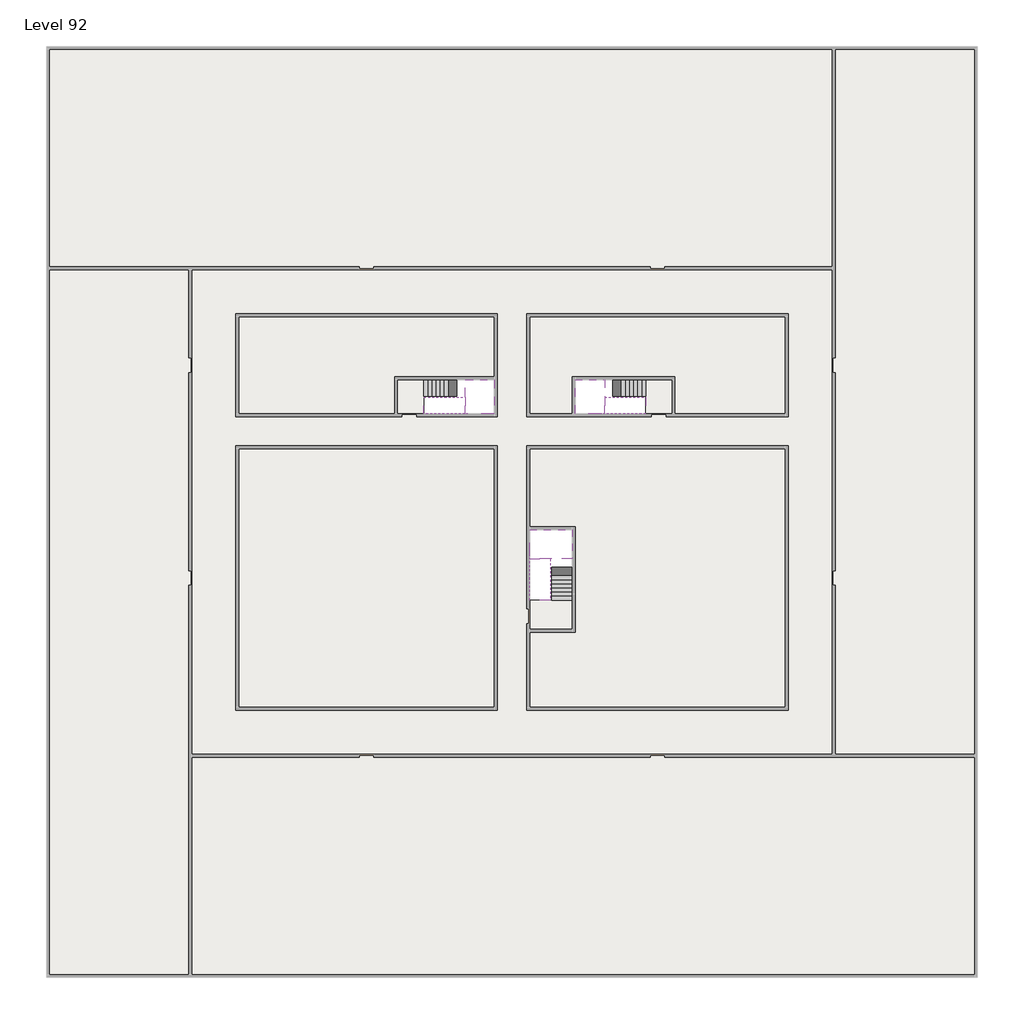
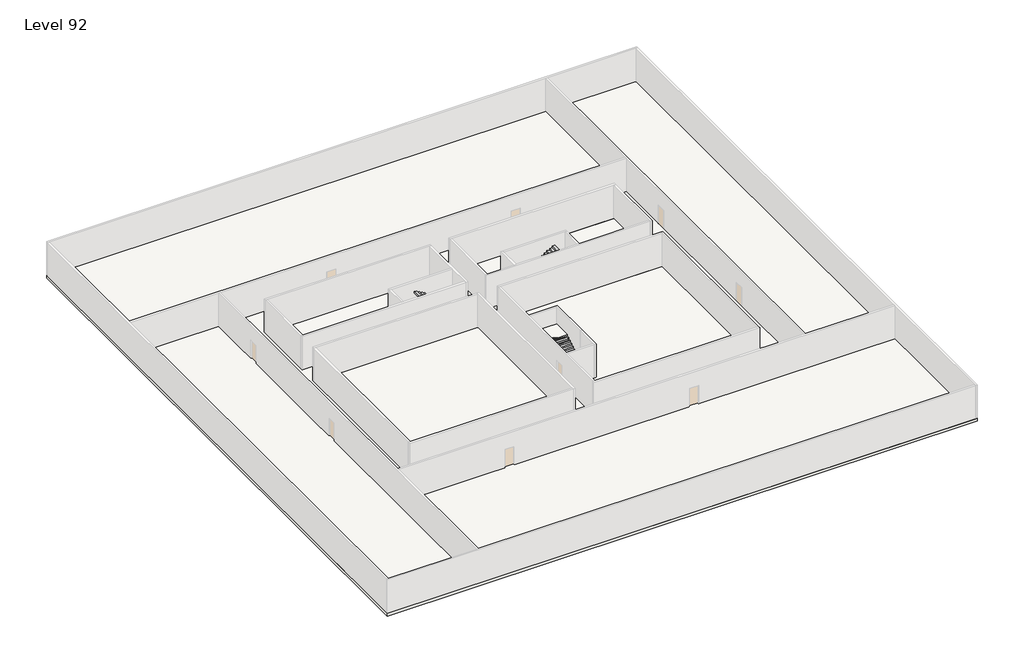
# One storey, part 2 of 2: 6 slabs, 6 stair flights.
"""IFC4 building model written with IfcOpenShell, lengths in millimetres."""

from ifc_helpers import new_model, si_unit, frame, origin, place, context, project, spatial, polyline, outline, extrude, faceted_brep, element, save

model = new_model("IFC4")

# Units and contexts
model_context = context("Model", 3, world=origin())
ifc_project = project(units=[si_unit("LENGTHUNIT", "METRE", prefix="MILLI")], contexts=[model_context])

# Site, building, storey
site = spatial("IfcSite", under=ifc_project)
building = spatial("IfcBuilding", under=site)
storey = spatial("IfcBuildingStorey", under=building, Name="Level 92", Elevation=345800.0)

# Slabs
placement = place(None, origin())
element("IfcSlab", 1, at=placement, inside=storey, context=model_context, shape_type="SweptSolid", body=[
    extrude(outline(polyline([(55890.1058784, -5518.09644), (55890.1058784, -68918.09644), (-7509.8941216, -68918.09644), (-7509.8941216, -5518.09644), (55890.1058784, -5518.09644)]), holes=[polyline([(22990.1058784, -23918.09644), (5590.1058784, -23918.09644), (5590.1058784, -30518.09644), (22990.1058784, -30518.09644), (22990.1058784, -23918.09644)]), polyline([(42990.1058784, -23918.09644), (25390.1058784, -23918.09644), (25390.1058784, -30518.09644), (42990.1058784, -30518.09644), (42990.1058784, -23918.09644)]), polyline([(25390.1058784, -50518.09644), (42790.1058784, -50518.09644), (42790.1058784, -32918.09644), (25390.1058784, -32918.09644), (25390.1058784, -50518.09644)]), polyline([(22990.1058784, -32918.09644), (5590.1058784, -32918.09644), (5590.1058784, -50518.09644), (22990.1058784, -50518.09644), (22990.1058784, -32918.09644)])]), frame((0.0, 0.0, 345500.0), z_axis=(0.0, 0.0, 1.0), x_axis=(1.0, 0.0, 0.0)), (0.0, 0.0, 1.0), 300.0),
])
element("IfcSlab", 2, at=placement, inside=storey, context=model_context, shape_type="SweptSolid", body=[
    extrude(outline(polyline([(22990.1058784, -23918.09644), (22990.1058784, -28018.09644), (16190.1058784, -28018.09644), (16190.1058784, -30518.09644), (5590.1058784, -30518.09644), (5590.1058784, -23918.09644), (22990.1058784, -23918.09644)])), frame((0.0, 0.0, 345500.0), z_axis=(0.0, 0.0, 1.0), x_axis=(1.0, 0.0, 0.0)), (0.0, 0.0, 1.0), 300.0),
    extrude(outline(polyline([(42790.1058784, -23918.09644), (42790.1058784, -30518.09644), (35290.1058784, -30518.09644), (35290.1058784, -28018.09644), (28490.1058784, -28018.09644), (28490.1058784, -30518.09644), (25390.1058784, -30518.09644), (25390.1058784, -23918.09644), (42790.1058784, -23918.09644)])), frame((0.0, 0.0, 345500.0), z_axis=(0.0, 0.0, 1.0), x_axis=(1.0, 0.0, 0.0)), (0.0, 0.0, 1.0), 300.0),
    extrude(outline(polyline([(22990.1058784, -32918.09644), (22990.1058784, -50518.09644), (5590.1058784, -50518.09644), (5590.1058784, -32918.09644), (22990.1058784, -32918.09644)])), frame((0.0, 0.0, 345500.0), z_axis=(0.0, 0.0, 1.0), x_axis=(1.0, 0.0, 0.0)), (0.0, 0.0, 1.0), 300.0),
    extrude(outline(polyline([(25390.1058784, -38218.09644), (25390.1058784, -32918.09644), (42790.1058784, -32918.09644), (42790.1058784, -50518.09644), (25390.1058784, -50518.09644), (25390.1058784, -45418.09644), (28490.1058784, -45418.09644), (28490.1058784, -38218.09644), (25390.1058784, -38218.09644)])), frame((0.0, 0.0, 345500.0), z_axis=(0.0, 0.0, 1.0), x_axis=(1.0, 0.0, 0.0)), (0.0, 0.0, 1.0), 300.0),
])
element("IfcSlab", 3, at=placement, inside=storey, context=model_context, shape_type="Brep", body=[
    faceted_brep([(26890.1058784, -40418.09644, 347700.0), (28290.1058784, -40418.09644, 347700.0), (28290.1058784, -40338.7100038, 347700.0), (28290.1058784, -38418.09644, 347700.0), (25390.1058784, -38418.09644, 347700.0), (25390.1058784, -40217.4828763, 347700.0), (25390.1058784, -40418.09644, 347700.0), (26790.1058784, -40418.09644, 347700.0), (26890.1058784, -40418.09644, 347400.0), (26890.1058784, -40418.09644, 347351.0278478), (28290.1058784, -40418.09644, 347351.0278478), (28290.1058784, -40418.09644, 347527.2727273), (28290.1058784, -40338.7100038, 347400.0), (28290.1058784, -38418.09644, 347400.0), (25390.1058784, -38418.09644, 347400.0), (25390.1058784, -40217.4828763, 347400.0), (25390.1058784, -40418.09644, 347523.7551205), (26790.1058784, -40418.09644, 347523.7551205), (26790.1058784, -40418.09644, 347400.0), (26790.1058784, -40217.4828763, 347400.0), (26890.1058784, -40338.7100038, 347400.0)], [[[0, 1, 2, 3, 4, 5, 6, 7]], [[1, 0, 8, 9, 10, 11]], [[1, 11, 10, 12, 13, 3, 2]], [[4, 3, 13, 14]], [[4, 14, 15, 16, 6, 5]], [[7, 6, 16, 17]], [[0, 7, 17, 18, 8]], [[18, 19, 15, 14, 13, 12, 20, 8]], [[19, 18, 17]], [[20, 12, 10, 9]], [[8, 20, 9]], [[15, 19, 17, 16]]]),
])
element("IfcSlab", 4, at=placement, inside=storey, context=model_context, shape_type="Brep", body=[
    faceted_brep([(20990.1058784, -28218.09644, 347700.0), (20990.1058784, -29318.09644, 347700.0), (20990.1058784, -29418.09644, 347700.0), (20990.1058784, -30518.09644, 347700.0), (21190.7194421, -30518.09644, 347700.0), (22990.1058784, -30518.09644, 347700.0), (22990.1058784, -28218.09644, 347700.0), (21069.4923146, -28218.09644, 347700.0), (20990.1058784, -28218.09644, 347527.2727273), (20990.1058784, -28218.09644, 347351.0278478), (20990.1058784, -29318.09644, 347351.0278478), (20990.1058784, -29318.09644, 347400.0), (20990.1058784, -29418.09644, 347400.0), (20990.1058784, -29418.09644, 347523.7551205), (20990.1058784, -30518.09644, 347523.7551205), (21190.7194421, -30518.09644, 347400.0), (22990.1058784, -30518.09644, 347400.0), (22990.1058784, -28218.09644, 347400.0), (21069.4923146, -28218.09644, 347400.0), (21190.7194421, -29418.09644, 347400.0), (21069.4923146, -29318.09644, 347400.0)], [[[0, 1, 2, 3, 4, 5, 6, 7]], [[1, 0, 8, 9, 10, 11]], [[2, 1, 11, 12, 13]], [[3, 2, 13, 14]], [[3, 14, 15, 16, 5, 4]], [[6, 5, 16, 17]], [[9, 8, 0, 7, 6, 17, 18]], [[19, 12, 11, 20, 18, 17, 16, 15]], [[12, 19, 13]], [[18, 20, 10, 9]], [[20, 11, 10]], [[19, 15, 14, 13]]]),
])
element("IfcSlab", 5, at=placement, inside=storey, context=model_context, shape_type="Brep", body=[
    faceted_brep([(30490.1058784, -29318.09644, 347700.0), (30490.1058784, -28218.09644, 347700.0), (30410.7194421, -28218.09644, 347700.0), (28490.1058784, -28218.09644, 347700.0), (28490.1058784, -30518.09644, 347700.0), (30289.4923146, -30518.09644, 347700.0), (30490.1058784, -30518.09644, 347700.0), (30490.1058784, -29418.09644, 347700.0), (30490.1058784, -29318.09644, 347400.0), (30490.1058784, -29318.09644, 347351.0278478), (30490.1058784, -28218.09644, 347351.0278478), (30490.1058784, -28218.09644, 347527.2727273), (30490.1058784, -29418.09644, 347523.7551205), (30490.1058784, -29418.09644, 347400.0), (30490.1058784, -30518.09644, 347523.7551205), (28490.1058784, -30518.09644, 347400.0), (30289.4923146, -30518.09644, 347400.0), (28490.1058784, -28218.09644, 347400.0), (30410.7194421, -28218.09644, 347400.0), (30289.4923146, -29418.09644, 347400.0), (30410.7194421, -29318.09644, 347400.0)], [[[0, 1, 2, 3, 4, 5, 6, 7]], [[1, 0, 8, 9, 10, 11]], [[0, 7, 12, 13, 8]], [[7, 6, 14, 12]], [[4, 15, 16, 14, 6, 5]], [[4, 3, 17, 15]], [[1, 11, 10, 18, 17, 3, 2]], [[13, 19, 16, 15, 17, 18, 20, 8]], [[20, 18, 10, 9]], [[8, 20, 9]], [[16, 19, 12, 14]], [[19, 13, 12]]]),
])
element("IfcSlab", 6, at=placement, inside=storey, context=model_context, shape_type="SweptSolid", body=[
    extrude(outline(polyline([(35090.1058784, -28218.09644), (35090.1058784, -30518.09644), (33290.1058784, -30518.09644), (33290.1058784, -28218.09644), (35090.1058784, -28218.09644)])), frame((0.0, 0.0, 345500.0), z_axis=(0.0, 0.0, 1.0), x_axis=(1.0, 0.0, 0.0)), (0.0, 0.0, 1.0), 300.0),
    extrude(outline(polyline([(18190.1058784, -28218.09644), (18190.1058784, -30518.09644), (16390.1058784, -30518.09644), (16390.1058784, -28218.09644), (18190.1058784, -28218.09644)])), frame((0.0, 0.0, 345500.0), z_axis=(0.0, 0.0, 1.0), x_axis=(1.0, 0.0, 0.0)), (0.0, 0.0, 1.0), 300.0),
    extrude(outline(polyline([(28290.1058784, -43218.09644), (28290.1058784, -45218.09644), (25390.1058784, -45218.09644), (25390.1058784, -43218.09644), (28290.1058784, -43218.09644)])), frame((0.0, 0.0, 345500.0), z_axis=(0.0, 0.0, 1.0), x_axis=(1.0, 0.0, 0.0)), (0.0, 0.0, 1.0), 300.0),
])

# Stair flights
element("IfcStairFlight", 7, at=placement, inside=storey, context=model_context, shape_type="Brep", body=[
    faceted_brep([(26890.1058784, -42938.09644, 345972.7272727), (26890.1058784, -43218.09644, 345972.7272727), (28290.1058784, -43218.09644, 345972.7272727), (28290.1058784, -42938.09644, 345972.7272727), (26890.1058784, -42938.09644, 345800.0), (26890.1058784, -43218.09644, 345800.0), (28290.1058784, -43218.09644, 345800.0), (28290.1058784, -42938.09644, 345800.0), (26890.1058784, -42658.09644, 346145.4545455), (26890.1058784, -42938.09644, 346145.4545455), (28290.1058784, -42938.09644, 346145.4545455), (28290.1058784, -42658.09644, 346145.4545455), (26890.1058784, -42658.09644, 345969.209666), (26890.1058784, -42932.3942143, 345800.0), (28290.1058784, -42932.3942143, 345800.0), (28290.1058784, -42658.09644, 345969.209666), (26890.1058784, -42378.09644, 346318.1818182), (26890.1058784, -42658.09644, 346318.1818182), (28290.1058784, -42658.09644, 346318.1818182), (28290.1058784, -42378.09644, 346318.1818182), (26890.1058784, -42378.09644, 346141.9369387), (28290.1058784, -42378.09644, 346141.9369387), (26890.1058784, -42098.09644, 346490.9090909), (26890.1058784, -42378.09644, 346490.9090909), (28290.1058784, -42378.09644, 346490.9090909), (28290.1058784, -42098.09644, 346490.9090909), (26890.1058784, -42098.09644, 346314.6642114), (28290.1058784, -42098.09644, 346314.6642114), (26890.1058784, -41818.09644, 346663.6363636), (26890.1058784, -42098.09644, 346663.6363636), (28290.1058784, -42098.09644, 346663.6363636), (28290.1058784, -41818.09644, 346663.6363636), (26890.1058784, -41818.09644, 346487.3914841), (28290.1058784, -41818.09644, 346487.3914841), (26890.1058784, -41538.09644, 346836.3636364), (26890.1058784, -41818.09644, 346836.3636364), (28290.1058784, -41818.09644, 346836.3636364), (28290.1058784, -41538.09644, 346836.3636364), (26890.1058784, -41538.09644, 346660.1187569), (28290.1058784, -41538.09644, 346660.1187569), (26890.1058784, -41258.09644, 347009.0909091), (26890.1058784, -41538.09644, 347009.0909091), (28290.1058784, -41538.09644, 347009.0909091), (28290.1058784, -41258.09644, 347009.0909091), (26890.1058784, -41258.09644, 346832.8460296), (28290.1058784, -41258.09644, 346832.8460296), (26890.1058784, -40978.09644, 347181.8181818), (26890.1058784, -41258.09644, 347181.8181818), (28290.1058784, -41258.09644, 347181.8181818), (28290.1058784, -40978.09644, 347181.8181818), (26890.1058784, -40978.09644, 347005.5733023), (28290.1058784, -40978.09644, 347005.5733023), (26890.1058784, -40698.09644, 347354.5454545), (26890.1058784, -40978.09644, 347354.5454545), (28290.1058784, -40978.09644, 347354.5454545), (28290.1058784, -40698.09644, 347354.5454545), (26890.1058784, -40698.09644, 347178.3005751), (28290.1058784, -40698.09644, 347178.3005751), (26890.1058784, -40418.09644, 347527.2727273), (26890.1058784, -40698.09644, 347527.2727273), (28290.1058784, -40698.09644, 347527.2727273), (28290.1058784, -40418.09644, 347527.2727273), (26890.1058784, -40418.09644, 347400.0), (26890.1058784, -40418.09644, 347351.0278478), (28290.1058784, -40418.09644, 347351.0278478)], [[[0, 1, 2, 3]], [[1, 0, 4, 5]], [[2, 1, 5, 6]], [[3, 2, 6, 7]], [[8, 9, 10, 11]], [[4, 0, 9, 8, 12, 13]], [[0, 3, 10, 9]], [[3, 7, 14, 15, 11, 10]], [[16, 17, 18, 19]], [[17, 16, 20, 12, 8]], [[8, 11, 18, 17]], [[19, 18, 11, 15, 21]], [[22, 23, 24, 25]], [[23, 22, 26, 20, 16]], [[16, 19, 24, 23]], [[25, 24, 19, 21, 27]], [[28, 29, 30, 31]], [[29, 28, 32, 26, 22]], [[22, 25, 30, 29]], [[31, 30, 25, 27, 33]], [[34, 35, 36, 37]], [[35, 34, 38, 32, 28]], [[28, 31, 36, 35]], [[37, 36, 31, 33, 39]], [[40, 41, 42, 43]], [[41, 40, 44, 38, 34]], [[34, 37, 42, 41]], [[43, 42, 37, 39, 45]], [[46, 47, 48, 49]], [[47, 46, 50, 44, 40]], [[40, 43, 48, 47]], [[49, 48, 43, 45, 51]], [[52, 53, 54, 55]], [[53, 52, 56, 50, 46]], [[46, 49, 54, 53]], [[55, 54, 49, 51, 57]], [[58, 59, 60, 61]], [[59, 58, 62, 63, 56, 52]], [[52, 55, 60, 59]], [[61, 60, 55, 57, 64]], [[58, 61, 64, 63, 62]], [[5, 4, 13, 14, 7, 6]], [[14, 13, 12, 20, 26, 32, 38, 44, 50, 56, 63, 64, 57, 51, 45, 39, 33, 27, 21, 15]]]),
])
element("IfcStairFlight", 8, at=placement, inside=storey, context=model_context, shape_type="Brep", body=[
    faceted_brep([(26790.1058784, -40698.09644, 347872.7272727), (26790.1058784, -40418.09644, 347872.7272727), (25390.1058784, -40418.09644, 347872.7272727), (25390.1058784, -40698.09644, 347872.7272727), (26790.1058784, -40698.09644, 347696.4823932), (26790.1058784, -40418.09644, 347523.7551205), (25390.1058784, -40418.09644, 347523.7551205), (25390.1058784, -40418.09644, 347700.0), (25390.1058784, -40698.09644, 347696.4823932), (26790.1058784, -40978.09644, 348045.4545455), (26790.1058784, -40698.09644, 348045.4545455), (25390.1058784, -40698.09644, 348045.4545455), (25390.1058784, -40978.09644, 348045.4545455), (26790.1058784, -40978.09644, 347869.209666), (25390.1058784, -40978.09644, 347869.209666), (26790.1058784, -41258.09644, 348218.1818182), (26790.1058784, -40978.09644, 348218.1818182), (25390.1058784, -40978.09644, 348218.1818182), (25390.1058784, -41258.09644, 348218.1818182), (26790.1058784, -41258.09644, 348041.9369387), (25390.1058784, -41258.09644, 348041.9369387), (26790.1058784, -41538.09644, 348390.9090909), (26790.1058784, -41258.09644, 348390.9090909), (25390.1058784, -41258.09644, 348390.9090909), (25390.1058784, -41538.09644, 348390.9090909), (26790.1058784, -41538.09644, 348214.6642114), (25390.1058784, -41538.09644, 348214.6642114), (26790.1058784, -41818.09644, 348563.6363636), (26790.1058784, -41538.09644, 348563.6363636), (25390.1058784, -41538.09644, 348563.6363636), (25390.1058784, -41818.09644, 348563.6363636), (26790.1058784, -41818.09644, 348387.3914841), (25390.1058784, -41818.09644, 348387.3914841), (26790.1058784, -42098.09644, 348736.3636364), (26790.1058784, -41818.09644, 348736.3636364), (25390.1058784, -41818.09644, 348736.3636364), (25390.1058784, -42098.09644, 348736.3636364), (26790.1058784, -42098.09644, 348560.1187569), (25390.1058784, -42098.09644, 348560.1187569), (26790.1058784, -42378.09644, 348909.0909091), (26790.1058784, -42098.09644, 348909.0909091), (25390.1058784, -42098.09644, 348909.0909091), (25390.1058784, -42378.09644, 348909.0909091), (26790.1058784, -42378.09644, 348732.8460296), (25390.1058784, -42378.09644, 348732.8460296), (26790.1058784, -42658.09644, 349081.8181818), (26790.1058784, -42378.09644, 349081.8181818), (25390.1058784, -42378.09644, 349081.8181818), (25390.1058784, -42658.09644, 349081.8181818), (26790.1058784, -42658.09644, 348905.5733023), (25390.1058784, -42658.09644, 348905.5733023), (26790.1058784, -42938.09644, 349254.5454545), (26790.1058784, -42658.09644, 349254.5454545), (25390.1058784, -42658.09644, 349254.5454545), (25390.1058784, -42938.09644, 349254.5454545), (26790.1058784, -42938.09644, 349078.3005751), (25390.1058784, -42938.09644, 349078.3005751), (26790.1058784, -43218.09644, 349427.2727273), (26790.1058784, -42938.09644, 349427.2727273), (25390.1058784, -42938.09644, 349427.2727273), (25390.1058784, -43218.09644, 349427.2727273), (26790.1058784, -43218.09644, 349251.0278478), (25390.1058784, -43218.09644, 349251.0278478)], [[[0, 1, 2, 3]], [[1, 0, 4, 5]], [[2, 1, 5, 6, 7]], [[3, 2, 7, 6, 8]], [[9, 10, 11, 12]], [[10, 9, 13, 4, 0]], [[11, 10, 0, 3]], [[12, 11, 3, 8, 14]], [[15, 16, 17, 18]], [[16, 15, 19, 13, 9]], [[17, 16, 9, 12]], [[18, 17, 12, 14, 20]], [[21, 22, 23, 24]], [[22, 21, 25, 19, 15]], [[23, 22, 15, 18]], [[24, 23, 18, 20, 26]], [[27, 28, 29, 30]], [[28, 27, 31, 25, 21]], [[29, 28, 21, 24]], [[30, 29, 24, 26, 32]], [[33, 34, 35, 36]], [[34, 33, 37, 31, 27]], [[35, 34, 27, 30]], [[36, 35, 30, 32, 38]], [[39, 40, 41, 42]], [[40, 39, 43, 37, 33]], [[41, 40, 33, 36]], [[42, 41, 36, 38, 44]], [[45, 46, 47, 48]], [[46, 45, 49, 43, 39]], [[47, 46, 39, 42]], [[48, 47, 42, 44, 50]], [[51, 52, 53, 54]], [[52, 51, 55, 49, 45]], [[53, 52, 45, 48]], [[54, 53, 48, 50, 56]], [[57, 58, 59, 60]], [[58, 57, 61, 55, 51]], [[59, 58, 51, 54]], [[60, 59, 54, 56, 62]], [[57, 60, 62, 61]], [[5, 4, 13, 19, 25, 31, 37, 43, 49, 55, 61, 62, 56, 50, 44, 38, 32, 26, 20, 14, 8, 6]]]),
])
element("IfcStairFlight", 9, at=placement, inside=storey, context=model_context, shape_type="Brep", body=[
    faceted_brep([(18470.1058784, -28218.09644, 345972.7272727), (18190.1058784, -28218.09644, 345972.7272727), (18190.1058784, -29318.09644, 345972.7272727), (18470.1058784, -29318.09644, 345972.7272727), (18470.1058784, -28218.09644, 345800.0), (18190.1058784, -28218.09644, 345800.0), (18190.1058784, -29318.09644, 345800.0), (18470.1058784, -29318.09644, 345800.0), (18750.1058784, -28218.09644, 346145.4545455), (18470.1058784, -28218.09644, 346145.4545455), (18470.1058784, -29318.09644, 346145.4545455), (18750.1058784, -29318.09644, 346145.4545455), (18750.1058784, -28218.09644, 345969.209666), (18475.8081041, -28218.09644, 345800.0), (18475.8081041, -29318.09644, 345800.0), (18750.1058784, -29318.09644, 345969.209666), (19030.1058784, -28218.09644, 346318.1818182), (18750.1058784, -28218.09644, 346318.1818182), (18750.1058784, -29318.09644, 346318.1818182), (19030.1058784, -29318.09644, 346318.1818182), (19030.1058784, -28218.09644, 346141.9369387), (19030.1058784, -29318.09644, 346141.9369387), (19310.1058784, -28218.09644, 346490.9090909), (19030.1058784, -28218.09644, 346490.9090909), (19030.1058784, -29318.09644, 346490.9090909), (19310.1058784, -29318.09644, 346490.9090909), (19310.1058784, -28218.09644, 346314.6642114), (19310.1058784, -29318.09644, 346314.6642114), (19590.1058784, -28218.09644, 346663.6363636), (19310.1058784, -28218.09644, 346663.6363636), (19310.1058784, -29318.09644, 346663.6363636), (19590.1058784, -29318.09644, 346663.6363636), (19590.1058784, -28218.09644, 346487.3914841), (19590.1058784, -29318.09644, 346487.3914841), (19870.1058784, -28218.09644, 346836.3636364), (19590.1058784, -28218.09644, 346836.3636364), (19590.1058784, -29318.09644, 346836.3636364), (19870.1058784, -29318.09644, 346836.3636364), (19870.1058784, -28218.09644, 346660.1187569), (19870.1058784, -29318.09644, 346660.1187569), (20150.1058784, -28218.09644, 347009.0909091), (19870.1058784, -28218.09644, 347009.0909091), (19870.1058784, -29318.09644, 347009.0909091), (20150.1058784, -29318.09644, 347009.0909091), (20150.1058784, -28218.09644, 346832.8460296), (20150.1058784, -29318.09644, 346832.8460296), (20430.1058784, -28218.09644, 347181.8181818), (20150.1058784, -28218.09644, 347181.8181818), (20150.1058784, -29318.09644, 347181.8181818), (20430.1058784, -29318.09644, 347181.8181818), (20430.1058784, -28218.09644, 347005.5733023), (20430.1058784, -29318.09644, 347005.5733023), (20710.1058784, -28218.09644, 347354.5454545), (20430.1058784, -28218.09644, 347354.5454545), (20430.1058784, -29318.09644, 347354.5454545), (20710.1058784, -29318.09644, 347354.5454545), (20710.1058784, -28218.09644, 347178.3005751), (20710.1058784, -29318.09644, 347178.3005751), (20990.1058784, -28218.09644, 347527.2727273), (20710.1058784, -28218.09644, 347527.2727273), (20710.1058784, -29318.09644, 347527.2727273), (20990.1058784, -29318.09644, 347527.2727273), (20990.1058784, -28218.09644, 347351.0278478), (20990.1058784, -29318.09644, 347351.0278478), (20990.1058784, -29318.09644, 347400.0)], [[[0, 1, 2, 3]], [[1, 0, 4, 5]], [[2, 1, 5, 6]], [[3, 2, 6, 7]], [[8, 9, 10, 11]], [[4, 0, 9, 8, 12, 13]], [[0, 3, 10, 9]], [[3, 7, 14, 15, 11, 10]], [[16, 17, 18, 19]], [[17, 16, 20, 12, 8]], [[8, 11, 18, 17]], [[19, 18, 11, 15, 21]], [[22, 23, 24, 25]], [[23, 22, 26, 20, 16]], [[16, 19, 24, 23]], [[25, 24, 19, 21, 27]], [[28, 29, 30, 31]], [[29, 28, 32, 26, 22]], [[22, 25, 30, 29]], [[31, 30, 25, 27, 33]], [[34, 35, 36, 37]], [[35, 34, 38, 32, 28]], [[28, 31, 36, 35]], [[37, 36, 31, 33, 39]], [[40, 41, 42, 43]], [[41, 40, 44, 38, 34]], [[34, 37, 42, 41]], [[43, 42, 37, 39, 45]], [[46, 47, 48, 49]], [[47, 46, 50, 44, 40]], [[40, 43, 48, 47]], [[49, 48, 43, 45, 51]], [[52, 53, 54, 55]], [[53, 52, 56, 50, 46]], [[46, 49, 54, 53]], [[55, 54, 49, 51, 57]], [[58, 59, 60, 61]], [[59, 58, 62, 56, 52]], [[52, 55, 60, 59]], [[61, 60, 55, 57, 63, 64]], [[58, 61, 64, 63, 62]], [[5, 4, 13, 14, 7, 6]], [[14, 13, 12, 20, 26, 32, 38, 44, 50, 56, 62, 63, 57, 51, 45, 39, 33, 27, 21, 15]]]),
])
element("IfcStairFlight", 10, at=placement, inside=storey, context=model_context, shape_type="Brep", body=[
    faceted_brep([(20710.1058784, -30518.09644, 347872.7272727), (20990.1058784, -30518.09644, 347872.7272727), (20990.1058784, -29418.09644, 347872.7272727), (20710.1058784, -29418.09644, 347872.7272727), (20710.1058784, -30518.09644, 347696.4823932), (20990.1058784, -30518.09644, 347523.7551205), (20990.1058784, -30518.09644, 347700.0), (20990.1058784, -29418.09644, 347523.7551205), (20710.1058784, -29418.09644, 347696.4823932), (20430.1058784, -30518.09644, 348045.4545455), (20710.1058784, -30518.09644, 348045.4545455), (20710.1058784, -29418.09644, 348045.4545455), (20430.1058784, -29418.09644, 348045.4545455), (20430.1058784, -30518.09644, 347869.209666), (20430.1058784, -29418.09644, 347869.209666), (20150.1058784, -30518.09644, 348218.1818182), (20430.1058784, -30518.09644, 348218.1818182), (20430.1058784, -29418.09644, 348218.1818182), (20150.1058784, -29418.09644, 348218.1818182), (20150.1058784, -30518.09644, 348041.9369387), (20150.1058784, -29418.09644, 348041.9369387), (19870.1058784, -30518.09644, 348390.9090909), (20150.1058784, -30518.09644, 348390.9090909), (20150.1058784, -29418.09644, 348390.9090909), (19870.1058784, -29418.09644, 348390.9090909), (19870.1058784, -30518.09644, 348214.6642114), (19870.1058784, -29418.09644, 348214.6642114), (19590.1058784, -30518.09644, 348563.6363636), (19870.1058784, -30518.09644, 348563.6363636), (19870.1058784, -29418.09644, 348563.6363636), (19590.1058784, -29418.09644, 348563.6363636), (19590.1058784, -30518.09644, 348387.3914841), (19590.1058784, -29418.09644, 348387.3914841), (19310.1058784, -30518.09644, 348736.3636364), (19590.1058784, -30518.09644, 348736.3636364), (19590.1058784, -29418.09644, 348736.3636364), (19310.1058784, -29418.09644, 348736.3636364), (19310.1058784, -30518.09644, 348560.1187569), (19310.1058784, -29418.09644, 348560.1187569), (19030.1058784, -30518.09644, 348909.0909091), (19310.1058784, -30518.09644, 348909.0909091), (19310.1058784, -29418.09644, 348909.0909091), (19030.1058784, -29418.09644, 348909.0909091), (19030.1058784, -30518.09644, 348732.8460296), (19030.1058784, -29418.09644, 348732.8460296), (18750.1058784, -30518.09644, 349081.8181818), (19030.1058784, -30518.09644, 349081.8181818), (19030.1058784, -29418.09644, 349081.8181818), (18750.1058784, -29418.09644, 349081.8181818), (18750.1058784, -30518.09644, 348905.5733023), (18750.1058784, -29418.09644, 348905.5733023), (18470.1058784, -30518.09644, 349254.5454545), (18750.1058784, -30518.09644, 349254.5454545), (18750.1058784, -29418.09644, 349254.5454545), (18470.1058784, -29418.09644, 349254.5454545), (18470.1058784, -30518.09644, 349078.3005751), (18470.1058784, -29418.09644, 349078.3005751), (18190.1058784, -30518.09644, 349427.2727273), (18470.1058784, -30518.09644, 349427.2727273), (18470.1058784, -29418.09644, 349427.2727273), (18190.1058784, -29418.09644, 349427.2727273), (18190.1058784, -30518.09644, 349251.0278478), (18190.1058784, -29418.09644, 349251.0278478)], [[[0, 1, 2, 3]], [[1, 0, 4, 5, 6]], [[2, 1, 6, 5, 7]], [[3, 2, 7, 8]], [[9, 10, 11, 12]], [[10, 9, 13, 4, 0]], [[11, 10, 0, 3]], [[12, 11, 3, 8, 14]], [[15, 16, 17, 18]], [[16, 15, 19, 13, 9]], [[17, 16, 9, 12]], [[18, 17, 12, 14, 20]], [[21, 22, 23, 24]], [[22, 21, 25, 19, 15]], [[23, 22, 15, 18]], [[24, 23, 18, 20, 26]], [[27, 28, 29, 30]], [[28, 27, 31, 25, 21]], [[29, 28, 21, 24]], [[30, 29, 24, 26, 32]], [[33, 34, 35, 36]], [[34, 33, 37, 31, 27]], [[35, 34, 27, 30]], [[36, 35, 30, 32, 38]], [[39, 40, 41, 42]], [[40, 39, 43, 37, 33]], [[41, 40, 33, 36]], [[42, 41, 36, 38, 44]], [[45, 46, 47, 48]], [[46, 45, 49, 43, 39]], [[47, 46, 39, 42]], [[48, 47, 42, 44, 50]], [[51, 52, 53, 54]], [[52, 51, 55, 49, 45]], [[53, 52, 45, 48]], [[54, 53, 48, 50, 56]], [[57, 58, 59, 60]], [[58, 57, 61, 55, 51]], [[59, 58, 51, 54]], [[60, 59, 54, 56, 62]], [[57, 60, 62, 61]], [[5, 4, 13, 19, 25, 31, 37, 43, 49, 55, 61, 62, 56, 50, 44, 38, 32, 26, 20, 14, 8, 7]]]),
])
element("IfcStairFlight", 11, at=placement, inside=storey, context=model_context, shape_type="Brep", body=[
    faceted_brep([(33010.1058784, -29318.09644, 345972.7272727), (33290.1058784, -29318.09644, 345972.7272727), (33290.1058784, -28218.09644, 345972.7272727), (33010.1058784, -28218.09644, 345972.7272727), (33290.1058784, -28218.09644, 345800.0), (33010.1058784, -28218.09644, 345800.0), (33290.1058784, -29318.09644, 345800.0), (33010.1058784, -29318.09644, 345800.0), (32730.1058784, -29318.09644, 346145.4545455), (33010.1058784, -29318.09644, 346145.4545455), (33010.1058784, -28218.09644, 346145.4545455), (32730.1058784, -28218.09644, 346145.4545455), (33004.4036527, -28218.09644, 345800.0), (32730.1058784, -28218.09644, 345969.209666), (32730.1058784, -29318.09644, 345969.209666), (33004.4036527, -29318.09644, 345800.0), (32450.1058784, -29318.09644, 346318.1818182), (32730.1058784, -29318.09644, 346318.1818182), (32730.1058784, -28218.09644, 346318.1818182), (32450.1058784, -28218.09644, 346318.1818182), (32450.1058784, -28218.09644, 346141.9369387), (32450.1058784, -29318.09644, 346141.9369387), (32170.1058784, -29318.09644, 346490.9090909), (32450.1058784, -29318.09644, 346490.9090909), (32450.1058784, -28218.09644, 346490.9090909), (32170.1058784, -28218.09644, 346490.9090909), (32170.1058784, -28218.09644, 346314.6642114), (32170.1058784, -29318.09644, 346314.6642114), (31890.1058784, -29318.09644, 346663.6363636), (32170.1058784, -29318.09644, 346663.6363636), (32170.1058784, -28218.09644, 346663.6363636), (31890.1058784, -28218.09644, 346663.6363636), (31890.1058784, -28218.09644, 346487.3914841), (31890.1058784, -29318.09644, 346487.3914841), (31610.1058784, -29318.09644, 346836.3636364), (31890.1058784, -29318.09644, 346836.3636364), (31890.1058784, -28218.09644, 346836.3636364), (31610.1058784, -28218.09644, 346836.3636364), (31610.1058784, -28218.09644, 346660.1187569), (31610.1058784, -29318.09644, 346660.1187569), (31330.1058784, -29318.09644, 347009.0909091), (31610.1058784, -29318.09644, 347009.0909091), (31610.1058784, -28218.09644, 347009.0909091), (31330.1058784, -28218.09644, 347009.0909091), (31330.1058784, -28218.09644, 346832.8460296), (31330.1058784, -29318.09644, 346832.8460296), (31050.1058784, -29318.09644, 347181.8181818), (31330.1058784, -29318.09644, 347181.8181818), (31330.1058784, -28218.09644, 347181.8181818), (31050.1058784, -28218.09644, 347181.8181818), (31050.1058784, -28218.09644, 347005.5733023), (31050.1058784, -29318.09644, 347005.5733023), (30770.1058784, -29318.09644, 347354.5454545), (31050.1058784, -29318.09644, 347354.5454545), (31050.1058784, -28218.09644, 347354.5454545), (30770.1058784, -28218.09644, 347354.5454545), (30770.1058784, -28218.09644, 347178.3005751), (30770.1058784, -29318.09644, 347178.3005751), (30490.1058784, -29318.09644, 347527.2727273), (30770.1058784, -29318.09644, 347527.2727273), (30770.1058784, -28218.09644, 347527.2727273), (30490.1058784, -28218.09644, 347527.2727273), (30490.1058784, -28218.09644, 347351.0278478), (30490.1058784, -29318.09644, 347400.0), (30490.1058784, -29318.09644, 347351.0278478)], [[[0, 1, 2, 3]], [[3, 2, 4, 5]], [[2, 1, 6, 4]], [[1, 0, 7, 6]], [[8, 9, 10, 11]], [[3, 5, 12, 13, 11, 10]], [[0, 3, 10, 9]], [[7, 0, 9, 8, 14, 15]], [[16, 17, 18, 19]], [[19, 18, 11, 13, 20]], [[8, 11, 18, 17]], [[17, 16, 21, 14, 8]], [[22, 23, 24, 25]], [[25, 24, 19, 20, 26]], [[16, 19, 24, 23]], [[23, 22, 27, 21, 16]], [[28, 29, 30, 31]], [[31, 30, 25, 26, 32]], [[22, 25, 30, 29]], [[29, 28, 33, 27, 22]], [[34, 35, 36, 37]], [[37, 36, 31, 32, 38]], [[28, 31, 36, 35]], [[35, 34, 39, 33, 28]], [[40, 41, 42, 43]], [[43, 42, 37, 38, 44]], [[34, 37, 42, 41]], [[41, 40, 45, 39, 34]], [[46, 47, 48, 49]], [[49, 48, 43, 44, 50]], [[40, 43, 48, 47]], [[47, 46, 51, 45, 40]], [[52, 53, 54, 55]], [[55, 54, 49, 50, 56]], [[46, 49, 54, 53]], [[53, 52, 57, 51, 46]], [[58, 59, 60, 61]], [[61, 60, 55, 56, 62]], [[52, 55, 60, 59]], [[59, 58, 63, 64, 57, 52]], [[58, 61, 62, 64, 63]], [[6, 7, 15, 12, 5, 4]], [[12, 15, 14, 21, 27, 33, 39, 45, 51, 57, 64, 62, 56, 50, 44, 38, 32, 26, 20, 13]]]),
])
element("IfcStairFlight", 12, at=placement, inside=storey, context=model_context, shape_type="Brep", body=[
    faceted_brep([(30770.1058784, -29418.09644, 347872.7272727), (30490.1058784, -29418.09644, 347872.7272727), (30490.1058784, -30518.09644, 347872.7272727), (30770.1058784, -30518.09644, 347872.7272727), (30490.1058784, -30518.09644, 347700.0), (30490.1058784, -30518.09644, 347523.7551205), (30770.1058784, -30518.09644, 347696.4823932), (30490.1058784, -29418.09644, 347523.7551205), (30770.1058784, -29418.09644, 347696.4823932), (31050.1058784, -29418.09644, 348045.4545455), (30770.1058784, -29418.09644, 348045.4545455), (30770.1058784, -30518.09644, 348045.4545455), (31050.1058784, -30518.09644, 348045.4545455), (31050.1058784, -30518.09644, 347869.209666), (31050.1058784, -29418.09644, 347869.209666), (31330.1058784, -29418.09644, 348218.1818182), (31050.1058784, -29418.09644, 348218.1818182), (31050.1058784, -30518.09644, 348218.1818182), (31330.1058784, -30518.09644, 348218.1818182), (31330.1058784, -30518.09644, 348041.9369387), (31330.1058784, -29418.09644, 348041.9369387), (31610.1058784, -29418.09644, 348390.9090909), (31330.1058784, -29418.09644, 348390.9090909), (31330.1058784, -30518.09644, 348390.9090909), (31610.1058784, -30518.09644, 348390.9090909), (31610.1058784, -30518.09644, 348214.6642114), (31610.1058784, -29418.09644, 348214.6642114), (31890.1058784, -29418.09644, 348563.6363636), (31610.1058784, -29418.09644, 348563.6363636), (31610.1058784, -30518.09644, 348563.6363636), (31890.1058784, -30518.09644, 348563.6363636), (31890.1058784, -30518.09644, 348387.3914841), (31890.1058784, -29418.09644, 348387.3914841), (32170.1058784, -29418.09644, 348736.3636364), (31890.1058784, -29418.09644, 348736.3636364), (31890.1058784, -30518.09644, 348736.3636364), (32170.1058784, -30518.09644, 348736.3636364), (32170.1058784, -30518.09644, 348560.1187569), (32170.1058784, -29418.09644, 348560.1187569), (32450.1058784, -29418.09644, 348909.0909091), (32170.1058784, -29418.09644, 348909.0909091), (32170.1058784, -30518.09644, 348909.0909091), (32450.1058784, -30518.09644, 348909.0909091), (32450.1058784, -30518.09644, 348732.8460296), (32450.1058784, -29418.09644, 348732.8460296), (32730.1058784, -29418.09644, 349081.8181818), (32450.1058784, -29418.09644, 349081.8181818), (32450.1058784, -30518.09644, 349081.8181818), (32730.1058784, -30518.09644, 349081.8181818), (32730.1058784, -30518.09644, 348905.5733023), (32730.1058784, -29418.09644, 348905.5733023), (33010.1058784, -29418.09644, 349254.5454545), (32730.1058784, -29418.09644, 349254.5454545), (32730.1058784, -30518.09644, 349254.5454545), (33010.1058784, -30518.09644, 349254.5454545), (33010.1058784, -30518.09644, 349078.3005751), (33010.1058784, -29418.09644, 349078.3005751), (33290.1058784, -29418.09644, 349427.2727273), (33010.1058784, -29418.09644, 349427.2727273), (33010.1058784, -30518.09644, 349427.2727273), (33290.1058784, -30518.09644, 349427.2727273), (33290.1058784, -30518.09644, 349251.0278478), (33290.1058784, -29418.09644, 349251.0278478)], [[[0, 1, 2, 3]], [[3, 2, 4, 5, 6]], [[2, 1, 7, 5, 4]], [[1, 0, 8, 7]], [[9, 10, 11, 12]], [[12, 11, 3, 6, 13]], [[11, 10, 0, 3]], [[10, 9, 14, 8, 0]], [[15, 16, 17, 18]], [[18, 17, 12, 13, 19]], [[17, 16, 9, 12]], [[16, 15, 20, 14, 9]], [[21, 22, 23, 24]], [[24, 23, 18, 19, 25]], [[23, 22, 15, 18]], [[22, 21, 26, 20, 15]], [[27, 28, 29, 30]], [[30, 29, 24, 25, 31]], [[29, 28, 21, 24]], [[28, 27, 32, 26, 21]], [[33, 34, 35, 36]], [[36, 35, 30, 31, 37]], [[35, 34, 27, 30]], [[34, 33, 38, 32, 27]], [[39, 40, 41, 42]], [[42, 41, 36, 37, 43]], [[41, 40, 33, 36]], [[40, 39, 44, 38, 33]], [[45, 46, 47, 48]], [[48, 47, 42, 43, 49]], [[47, 46, 39, 42]], [[46, 45, 50, 44, 39]], [[51, 52, 53, 54]], [[54, 53, 48, 49, 55]], [[53, 52, 45, 48]], [[52, 51, 56, 50, 45]], [[57, 58, 59, 60]], [[60, 59, 54, 55, 61]], [[59, 58, 51, 54]], [[58, 57, 62, 56, 51]], [[57, 60, 61, 62]], [[7, 8, 14, 20, 26, 32, 38, 44, 50, 56, 62, 61, 55, 49, 43, 37, 31, 25, 19, 13, 6, 5]]]),
])

save(model, "model.ifc")
